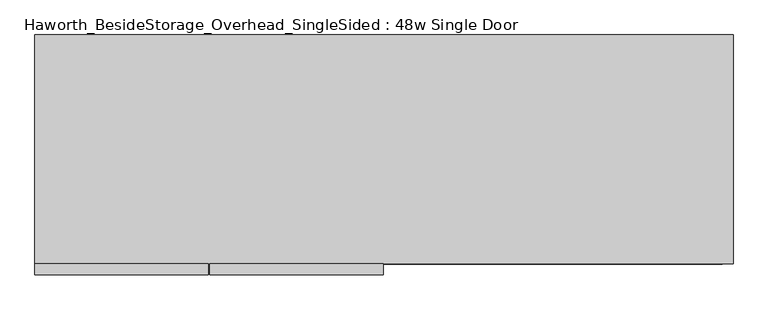
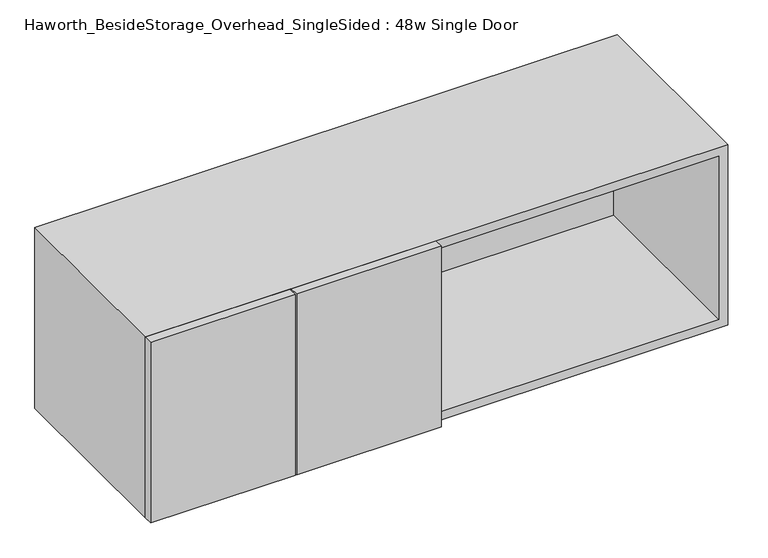
"""IFC4 building model written with IfcOpenShell, lengths in millimetres: furniture geometry, Haworth_BesideStorage_Overhead_SingleSided : 48w Single Door."""

from ifc_helpers import new_model, si_unit, frame, origin, place, context, project, spatial, polyline, outline, extrude, source, transform, mapped, element, save


def haworth_besidestorage_overhead_singlesided_48w_single_door_6463f711(model_context):
    return source(origin(), model_context, "Body", "SweptSolid", [
        extrude(outline(polyline([(-138.90625, -419.1), (-138.90625, -400.05), (163.5125, -400.05), (163.5125, -419.1), (-138.90625, -419.1)])), frame((0.0, 0.0, 762.0), z_axis=(0.0, 0.0, 1.0), x_axis=(1.0, 0.0, 0.0)), (0.0, 0.0, 1.0), 400.05),
        extrude(outline(polyline([(-142.08125, -419.1), (-444.5, -419.1), (-444.5, -400.05), (-142.08125, -400.05), (-142.08125, -419.1)])), frame((0.0, 0.0, 762.0), z_axis=(0.0, 0.0, 1.0), x_axis=(1.0, 0.0, 0.0)), (0.0, 0.0, 1.0), 400.05),
        extrude(outline(polyline([(174.625, -400.05), (155.575, -400.05), (155.575, -19.05), (174.625, -19.05), (174.625, -400.05)])), frame((0.0, 0.0, 781.05), z_axis=(0.0, 0.0, 1.0), x_axis=(1.0, 0.0, 0.0)), (0.0, 0.0, 1.0), 361.95),
        extrude(outline(polyline([(755.65, -19.05), (-425.45, -19.05), (-425.45, 0.0), (755.65, 0.0), (755.65, -19.05)])), frame((0.0, 0.0, 781.05), z_axis=(0.0, 0.0, 1.0), x_axis=(1.0, 0.0, 0.0)), (0.0, 0.0, 1.0), 361.95),
        extrude(outline(polyline([(762.0, 774.7), (1162.05, 774.7), (1162.05, -444.5), (762.0, -444.5), (762.0, 774.7)]), holes=[polyline([(1143.0, 755.65), (781.05, 755.65), (781.05, -425.45), (1143.0, -425.45), (1143.0, 755.65)])]), frame((0.0, -400.05, 0.0), z_axis=(0.0, 1.0, 0.0), x_axis=(0.0, 0.0, 1.0)), (0.0, 0.0, 1.0), 400.05),
    ])


if __name__ == "__main__":
    model = new_model("IFC4")
    model_context = context("Model", 3, world=origin())
    ifc_project = project(units=[si_unit("LENGTHUNIT", "METRE", prefix="MILLI")], contexts=[model_context])
    site = spatial("IfcSite", under=ifc_project)
    building = spatial("IfcBuilding", under=site)
    placement = place(None, origin())
    haworth_besidestorage_overhead_singlesided_48w_single_door_shape = haworth_besidestorage_overhead_singlesided_48w_single_door_6463f711(model_context)
    element("IfcFurniture", 1, ObjectType="Haworth_BesideStorage_Overhead_SingleSided : 48w Single Door", at=placement, inside=building, context=model_context, shape_type="MappedRepresentation", body=[
        mapped(haworth_besidestorage_overhead_singlesided_48w_single_door_shape, transform((0.0, 0.0, 0.0), x_axis=(1.0, 0.0, 0.0), y_axis=(0.0, 1.0, 0.0), z_axis=(0.0, 0.0, 1.0))),
    ])
    save(model, "model.ifc")
